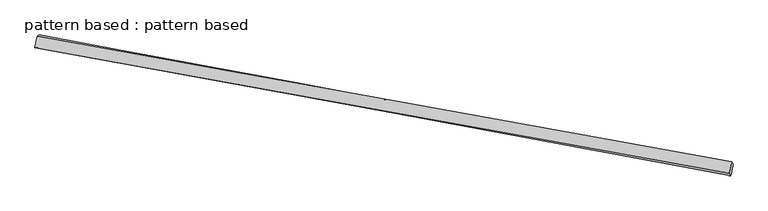
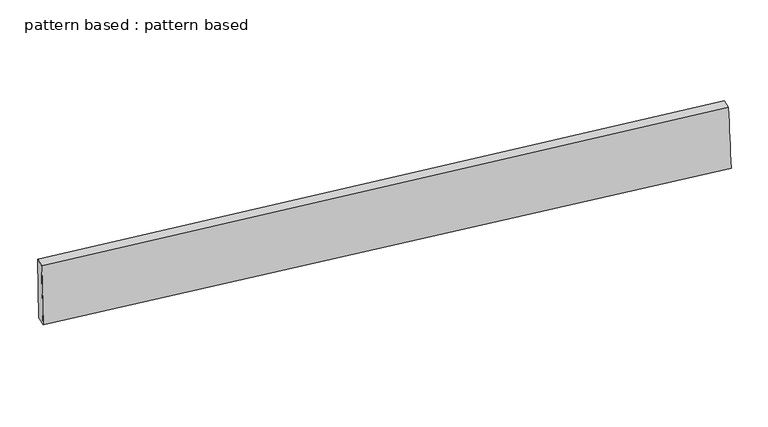
"""IFC4 building model written with IfcOpenShell, lengths in millimetres: plate geometry, pattern based : pattern based."""

from ifc_helpers import new_model, si_unit, frame, origin, place, context, project, spatial, source, transform, mapped, element, save
from ifc_brep_helpers import plane_surface, spline_surface, advanced_brep


def pattern_based_pattern_based_a80affb2(model_context):
    return source(origin(), model_context, "Body", "AdvancedBrep", [
        advanced_brep(
        [(3747.5113288, 3747.5113288, -21.1832049), (3742.624833, 3744.5708018, 128.7083407), (3747.1362225, 3769.1602784, 128.6375766), (3752.0227183, 3772.1008054, -21.2539691), (5206.7492742, 3480.3405152, 171.0203316), (5211.2606637, 3504.9299917, 170.9495675), (5210.0972642, 3475.0265647, 21.1518797), (5214.6086537, 3499.6160413, 21.0811155)],
        [
            (0, 1),
            (1, 2),
            (2, 3),
            (3, 0),
            (1, 4),
            (4, 5),
            (5, 2),
            (4, 6),
            (6, 7),
            (7, 5),
            (6, 0),
            (3, 7),
        ],
        [
            plane_surface(frame((3745.0680809, 3746.0410653, 53.7625679), z_axis=(-0.9831975965537629, 0.18030353117840217, -0.028515307739933042), x_axis=(-0.032576638879794506, -0.01960351347846114, 0.9992769710438619))),
            plane_surface(frame((4474.6870536, 3612.4556585, 149.8643362), z_axis=(-0.02745904355532438, 0.007914511976864175, 0.9995915973172219), x_axis=(0.9837048697349784, -0.1775290490203758, 0.02842826082633873))),
            plane_surface(frame((5208.4232692, 3477.68354, 96.0861057), z_axis=(0.9832019340901342, -0.1803047813852456, 0.02835740839777852), x_axis=(0.022319933232891682, -0.035426336170322315, -0.9991230130899932))),
            plane_surface(frame((4478.8042965, 3611.2689468, -0.0156626), z_axis=(0.02745904355532338, -0.007914511976863648, -0.9995915973172219), x_axis=(-0.9826868278458842, 0.18307791834966147, -0.028444229484171257))),
            spline_surface(1, 1, [[(3747.1362225, 3769.1602784, 128.6375766), (3752.0227183, 3772.1008054, -21.2539691)], [(5211.2606637, 3504.9299917, 170.9495675), (5214.6086537, 3499.6160413, 21.0811155)]], [2, 2], [2, 2], [0.0, 1.0], [0.0, 1.0]),
            spline_surface(1, 1, [[(5210.0972642, 3475.0265647, 21.1518797), (3747.5113288, 3747.5113288, -21.1832049)], [(5206.7492742, 3480.3405152, 171.0203316), (3742.624833, 3744.5708018, 128.7083407)]], [2, 2], [2, 2], [0.0, 1.0], [0.0, 1.0]),
        ],
        [
            (0, [[1, 2, 3, 4]]),
            (1, [[5, 6, 7, -2]]),
            (2, [[8, 9, 10, -6]]),
            (3, [[11, -4, 12, -9]]),
            (4, [[-3, -7, -10, -12]]),
            (5, [[-11, -8, -5, -1]]),
        ],
    ),
    ])


if __name__ == "__main__":
    model = new_model("IFC4")
    model_context = context("Model", 3, world=origin())
    ifc_project = project(units=[si_unit("LENGTHUNIT", "METRE", prefix="MILLI")], contexts=[model_context])
    site = spatial("IfcSite", under=ifc_project)
    building = spatial("IfcBuilding", under=site)
    placement = place(None, origin())
    pattern_based_pattern_based_shape = pattern_based_pattern_based_a80affb2(model_context)
    element("IfcPlate", 1, ObjectType="pattern based : pattern based", at=placement, inside=building, context=model_context, shape_type="MappedRepresentation", body=[
        mapped(pattern_based_pattern_based_shape, transform((0.0, 0.0, 0.0), x_axis=(1.0, 0.0, 0.0), y_axis=(0.0, 1.0, 0.0), z_axis=(0.0, 0.0, 1.0))),
    ])
    save(model, "model.ifc")
